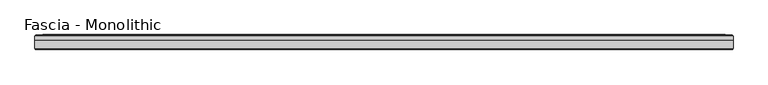
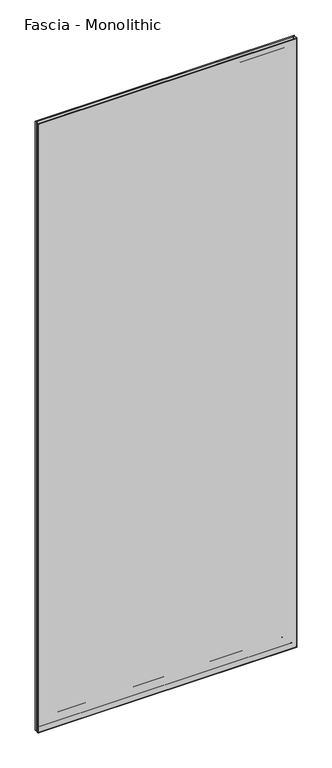
"""IFC4 building model written with IfcOpenShell, lengths in millimetres: proxy geometry, Fascia - Monolithic."""

import ifcopenshell
import ifcopenshell.guid

model = None  # the IFC model being written
_history = None  # IfcOwnerHistory: only IFC2X3 demands one
_inside = {}  # id of a spatial element -> (the spatial element, [elements in it])
_under = {}  # id of a project, library or spatial element -> (it, [spatial elements below it])
_declared = {}  # id of a project -> (the project, [libraries it declares])
_typed = {}  # id of a type object -> (the type object, [elements of that type])
_made_of = {}  # id of a material, layer set ... -> (it, [elements and type objects made of it])


def new_model(schema):
    """Start an empty IFC model of exactly this schema.

    Asked for "IFC4X3", IfcOpenShell would pick the latest addendum, in which some entities
    have other attributes; the version numbers below select the first issue.
    IFC2X3 requires an IfcOwnerHistory on every rooted entity: one is made here for all.
    """
    global model, _history
    if schema == "IFC4X3":
        model = ifcopenshell.file(schema_version=(4, 3, 0, 0))
    else:
        model = ifcopenshell.file(schema=schema)
    _inside.clear()
    _under.clear()
    _declared.clear()
    _typed.clear()
    _made_of.clear()
    _history = None
    if model.schema == "IFC2X3":
        org = make("IfcOrganization", Name="unknown")
        user = make(
            "IfcPersonAndOrganization",
            ThePerson=make("IfcPerson", FamilyName="unknown"),
            TheOrganization=org,
        )
        app = make(
            "IfcApplication",
            ApplicationDeveloper=org,
            Version="unknown",
            ApplicationFullName="unknown",
            ApplicationIdentifier="unknown",
        )
        _history = make(
            "IfcOwnerHistory",
            OwningUser=user,
            OwningApplication=app,
            ChangeAction="ADDED",
            CreationDate=0,
        )
    return model


def make(cls, **values):
    """One entity of the class cls with the attributes given. An attribute that is None is left unset."""
    return model.create_entity(
        cls, **{name: value for name, value in values.items() if value is not None}
    )


def rooted(cls, **values):
    """An entity with a GlobalId (a new one), such as an element, a storey or a relation."""
    return make(cls, GlobalId=ifcopenshell.guid.new(), OwnerHistory=_history, **values)


def si_unit(unit_type, name, prefix=None):
    """IfcSIUnit, for example si_unit("LENGTHUNIT", "METRE", prefix="MILLI")."""
    return make("IfcSIUnit", UnitType=unit_type, Prefix=prefix, Name=name)


def assignment(units):
    """IfcUnitAssignment: the units of a project."""
    return None if units is None else make("IfcUnitAssignment", Units=units)


def point(xyz):
    """IfcCartesianPoint."""
    return None if xyz is None else make("IfcCartesianPoint", Coordinates=xyz)


def direction(xyz):
    """IfcDirection."""
    return None if xyz is None else make("IfcDirection", DirectionRatios=xyz)


def frame(location, z_axis=None, x_axis=None):
    """IfcAxis2Placement3D, a coordinate frame: its origin and axes. An axis left out is left unset."""
    return make(
        "IfcAxis2Placement3D",
        Location=point(location),
        Axis=direction(z_axis),
        RefDirection=direction(x_axis),
    )


def origin():
    """The frame at (0, 0, 0) with its axes left unset."""
    return frame((0.0, 0.0, 0.0))


def place(relative_to, where):
    """IfcLocalPlacement: puts the frame where relative to a parent placement (None: the world)."""
    return make(
        "IfcLocalPlacement", PlacementRelTo=relative_to, RelativePlacement=where
    )


def context(
    kind, dimensions, precision=None, world=None, true_north=None, identifier=None
):
    """IfcGeometricRepresentationContext, for example the 3D "Model" context."""
    return make(
        "IfcGeometricRepresentationContext",
        ContextIdentifier=identifier,
        ContextType=kind,
        CoordinateSpaceDimension=dimensions,
        Precision=precision,
        WorldCoordinateSystem=world,
        TrueNorth=true_north,
    )


def project(units=None, contexts=None):
    """IfcProject with its units and contexts."""
    return rooted(
        "IfcProject",
        Name="project",
        RepresentationContexts=contexts,
        UnitsInContext=assignment(units),
    )


def spatial(cls, under=None, at=None, **own):
    """A site, building, storey or space (cls), placed at a placement, below another one or the project."""
    s = rooted(cls, ObjectPlacement=at, **own)
    if under is not None:
        _under.setdefault(under.id(), (under, []))[1].append(s)
    return s


def ellipse_curve(where, semi_axis1, semi_axis2):
    """IfcEllipse in the frame where."""
    return make(
        "IfcEllipse", Position=where, SemiAxis1=semi_axis1, SemiAxis2=semi_axis2
    )


def shape(context_of_items, identifier, shape_type, items):
    """IfcShapeRepresentation: the items that make up one representation, for example the "Body"."""
    return make(
        "IfcShapeRepresentation",
        ContextOfItems=context_of_items,
        RepresentationIdentifier=identifier,
        RepresentationType=shape_type,
        Items=items,
    )


def source(mapping_origin, context_of_items, identifier, shape_type, items):
    """IfcRepresentationMap: a shape defined once, which mapped items show again and again."""
    return make(
        "IfcRepresentationMap",
        MappingOrigin=mapping_origin,
        MappedRepresentation=shape(context_of_items, identifier, shape_type, items),
    )


def transform(
    local_origin,
    x_axis=None,
    y_axis=None,
    z_axis=None,
    scale=None,
    scale2=None,
    scale3=None,
    uniform=True,
):
    """IfcCartesianTransformationOperator3D, or its non-uniform kind. x_axis, y_axis, z_axis: its Axis1, 2, 3."""
    if uniform:
        return make(
            "IfcCartesianTransformationOperator3D",
            Axis1=direction(x_axis),
            Axis2=direction(y_axis),
            LocalOrigin=point(local_origin),
            Scale=scale,
            Axis3=direction(z_axis),
        )
    return make(
        "IfcCartesianTransformationOperator3DnonUniform",
        Axis1=direction(x_axis),
        Axis2=direction(y_axis),
        LocalOrigin=point(local_origin),
        Scale=scale,
        Axis3=direction(z_axis),
        Scale2=scale2,
        Scale3=scale3,
    )


def mapped(mapping_source, mapping_target):
    """IfcMappedItem: shows the shape of a source again, moved by a transform."""
    return make(
        "IfcMappedItem", MappingSource=mapping_source, MappingTarget=mapping_target
    )


def made_of(thing, what):
    """Note that an element or type object is made of a material, layer set ...; save() writes the relation."""
    if what is not None:
        _made_of.setdefault(what.id(), (what, []))[1].append(thing)
    return thing


def element(
    cls,
    number,
    at=None,
    inside=None,
    cuts=None,
    type_object=None,
    material=None,
    context=None,
    identifier="Body",
    shape_type=None,
    held_by="IfcProductDefinitionShape",
    body=None,
    shapes=None,
    **own,
):
    """One element of the class cls, such as IfcWall. Its Tag is "e" and its number.

    at: its placement. inside: the storey or other place that contains it. cuts: it is an
    opening in that element (IfcRelVoidsElement). A single representation is given by context,
    identifier, shape_type and body (its items); several are given by shapes. held_by: the class
    of the entity that holds the representations. save() writes the other relations.
    """
    e = rooted(cls, Tag="e%d" % number, ObjectPlacement=at, **own)
    if body is not None:
        shapes = [shape(context, identifier, shape_type, body)]
    if shapes is not None:
        e.Representation = make(held_by, Representations=shapes)
    if inside is not None:
        _inside.setdefault(inside.id(), (inside, []))[1].append(e)
    if cuts is not None:
        rooted(
            "IfcRelVoidsElement", RelatingBuildingElement=cuts, RelatedOpeningElement=e
        )
    if type_object is not None:
        _typed.setdefault(type_object.id(), (type_object, []))[1].append(e)
    return made_of(e, material)


def aggregate(whole, parts):
    """IfcRelAggregates: a whole, such as a stair, and the parts it consists of."""
    return rooted("IfcRelAggregates", RelatingObject=whole, RelatedObjects=parts)


def save(model, path):
    """Write the relations noted so far, then the file.

    IfcRelAggregates (storeys below a building ...), IfcRelContainedInSpatialStructure (elements
    in a storey), IfcRelDefinesByType, IfcRelAssociatesMaterial and IfcRelDeclares: one each for
    every whole, place, type object, material and project.
    """
    for whole, parts in _under.values():
        aggregate(whole, parts)
    for where, things in _inside.values():
        rooted(
            "IfcRelContainedInSpatialStructure",
            RelatedElements=things,
            RelatingStructure=where,
        )
    for kind, things in _typed.values():
        rooted("IfcRelDefinesByType", RelatedObjects=things, RelatingType=kind)
    for what, things in _made_of.values():
        rooted("IfcRelAssociatesMaterial", RelatedObjects=things, RelatingMaterial=what)
    for by, libraries in _declared.values():
        rooted("IfcRelDeclares", RelatingContext=by, RelatedDefinitions=libraries)
    model.write(path)


def plane_surface(at):
    """IfcPlane: the flat surface through the origin of the frame at, square to its z axis."""
    return make("IfcPlane", Position=at)


def cylinder_surface(at, radius):
    """IfcCylindricalSurface: all points at the distance radius from the z axis of the frame at."""
    return make("IfcCylindricalSurface", Position=at, Radius=radius)


def advanced_brep(points, edges, surfaces, faces):
    """IfcAdvancedBrep: a solid bounded by faces that lie on surfaces and meet in shared edges.

    An edge is (start, end): straight between two places in points (the first is 0);
    or (start, end, curve); or (start, end, curve, False) where it runs against its curve.
    A face is (place in surfaces, loops), or (place, loops, False) where it looks against
    its surface's normal. A loop lists edges by number (the first is 1), with a minus sign
    where the edge is run from its end to its start. The first loop is the outer one.
    """
    corners = [point(p) for p in points]
    vertices = [make("IfcVertexPoint", VertexGeometry=c) for c in corners]
    made = []
    for start, end, *more in edges:
        made.append(
            make(
                "IfcEdgeCurve",
                EdgeStart=vertices[start],
                EdgeEnd=vertices[end],
                EdgeGeometry=more[0] if more else make("IfcPolyline", Points=[corners[start], corners[end]]),
                SameSense=more[1] if len(more) > 1 else True,
            )
        )
    hull = []
    for where, loops, *sense in faces:
        bounds = []
        for j, loop in enumerate(loops):
            ring = [make("IfcOrientedEdge", EdgeElement=made[abs(k) - 1], Orientation=k > 0) for k in loop]
            bounds.append(
                make(
                    "IfcFaceOuterBound" if j == 0 else "IfcFaceBound",
                    Bound=make("IfcEdgeLoop", EdgeList=ring),
                    Orientation=True,
                )
            )
        hull.append(make("IfcAdvancedFace", Bounds=bounds, FaceSurface=surfaces[where], SameSense=sense[0] if sense else True))
    return make("IfcAdvancedBrep", Outer=make("IfcClosedShell", CfsFaces=hull))


def fascia_monolithic_d8d4c5af(model_context):
    return source(origin(), model_context, "Body", "AdvancedBrep", [
        advanced_brep(
        [(-556.403743, 15.8650077, 46.2434077), (556.403743, 15.8650077, 46.2434077), (556.6731506, 16.7386, 45.974), (-556.6731506, 16.7386, 45.974), (-557.5775583, 14.6911923, 45.0695923), (557.5775583, 14.6911923, 45.0695923), (-550.4909583, 15.8650077, 52.1561923), (550.4909583, 15.8650077, 52.1561923), (549.317143, 14.6911923, 53.3300077), (-549.317143, 14.6911923, 53.3300077), (-550.2215506, 16.7386, 52.4256), (550.2215506, 16.7386, 52.4256), (-533.9401506, 15.5956, 68.707), (533.9401506, 15.5956, 68.707), (534.7021506, 16.7386, 67.945), (-534.7021506, 16.7386, 67.945), (-521.6211506, 8.4836, 81.026), (521.6211506, 8.4836, 81.026), (521.6211506, 15.5956, 81.026), (-521.6211506, 15.5956, 81.026), (-602.6471506, 15.2146, 0.0), (602.6471506, 15.2146, 0.0), (602.6471506, 8.4836, 0.0), (-602.6471506, 8.4836, 0.0), (-601.1231506, 16.7386, 1.524), (601.1231506, 16.7386, 1.524), (-599.075743, 15.8650077, 3.5714077), (599.075743, 15.8650077, 3.5714077), (599.3451506, 16.7386, 3.302), (-599.3451506, 16.7386, 3.302), (-600.2495583, 14.6911923, 2.3975923), (600.2495583, 14.6911923, 2.3975923), (-593.1629583, 15.8650077, 9.4841923), (593.1629583, 15.8650077, 9.4841923), (591.989143, 14.6911923, 10.6580077), (-591.989143, 14.6911923, 10.6580077), (-592.8935506, 16.7386, 9.7536), (592.8935506, 16.7386, 9.7536), (-588.0040506, 16.7386, 14.6431), (588.0040506, 16.7386, 14.6431), (589.5280506, 16.7386, 13.1191), (-589.5280506, 16.7386, 13.1191), (-582.0350506, 16.7386, 20.6121), (582.0350506, 16.7386, 20.6121), (584.4480506, 16.7386, 18.1991), (-584.4480506, 16.7386, 18.1991), (556.403743, 15.8650077, 2946.4799923), (556.6731506, 16.7386, 2946.7494), (557.5775583, 14.6911923, 2947.6538077), (550.4909583, 15.8650077, 2940.5672077), (549.317143, 14.6911923, 2939.3933923), (550.2215506, 16.7386, 2940.2978), (533.9401506, 15.5956, 2924.0164), (534.7021506, 16.7386, 2924.7784), (521.6211506, 8.4836, 2911.6974), (521.6211506, 15.5956, 2911.6974), (602.6471506, 15.2146, 2992.7234), (602.6471506, 8.4836, 2992.7234), (601.1231506, 16.7386, 2991.1994), (599.075743, 15.8650077, 2989.1519923), (599.3451506, 16.7386, 2989.4214), (600.2495583, 14.6911923, 2990.3258077), (593.1629583, 15.8650077, 2983.2392077), (591.989143, 14.6911923, 2982.0653923), (592.8935506, 16.7386, 2982.9698), (588.0040506, 16.7386, 2978.0803), (589.5280506, 16.7386, 2979.6043), (582.0350506, 16.7386, 2972.1113), (584.4480506, 16.7386, 2974.5243), (-556.403743, 15.8650077, 2946.4799923), (-556.6731506, 16.7386, 2946.7494), (-557.5775583, 14.6911923, 2947.6538077), (-550.4909583, 15.8650077, 2940.5672077), (-549.317143, 14.6911923, 2939.3933923), (-550.2215506, 16.7386, 2940.2978), (-533.9401506, 15.5956, 2924.0164), (-534.7021506, 16.7386, 2924.7784), (-521.6211506, 8.4836, 2911.6974), (-521.6211506, 15.5956, 2911.6974), (-602.6471506, 15.2146, 2992.7234), (-602.6471506, 8.4836, 2992.7234), (-601.1231506, 16.7386, 2991.1994), (-599.075743, 15.8650077, 2989.1519923), (-599.3451506, 16.7386, 2989.4214), (-600.2495583, 14.6911923, 2990.3258077), (-593.1629583, 15.8650077, 2983.2392077), (-591.989143, 14.6911923, 2982.0653923), (-592.8935506, 16.7386, 2982.9698), (-588.0040506, 16.7386, 2978.0803), (-589.5280506, 16.7386, 2979.6043), (-582.0350506, 16.7386, 2972.1113), (-584.4480506, 16.7386, 2974.5243)],
        [
            (0, 1),
            (1, 2, ellipse_curve(frame((556.7693353, 16.2306, 45.8778154), z_axis=(-0.7071067811865475, 0.0, -0.7071067811865475), x_axis=(-0.7071067811865476, 0.0, 0.7071067811865474)), 0.7311846, 0.5170256)),
            (2, 3),
            (3, 0, ellipse_curve(frame((-556.7693353, 16.2306, 45.8778154), z_axis=(0.7071067811865475, 0.0, -0.7071067811865475), x_axis=(-0.7071067811865476, 0.0, -0.7071067811865474)), 0.7311846, 0.5170256)),
            (4, 5),
            (5, 1),
            (0, 4),
            (6, 7),
            (7, 8),
            (8, 9),
            (9, 6),
            (10, 11),
            (11, 7, ellipse_curve(frame((550.125366, 16.2306, 52.5217846), z_axis=(-0.7071067811865475, 0.0, -0.7071067811865475), x_axis=(-0.7071067811865476, 0.0, 0.7071067811865474)), 0.7311846, 0.5170256)),
            (6, 10, ellipse_curve(frame((-550.125366, 16.2306, 52.5217846), z_axis=(0.7071067811865475, 0.0, -0.7071067811865475), x_axis=(-0.7071067811865476, 0.0, -0.7071067811865474)), 0.7311846, 0.5170256)),
            (12, 13),
            (13, 14),
            (14, 15),
            (15, 12),
            (16, 17),
            (17, 18),
            (18, 19),
            (19, 16),
            (20, 21),
            (21, 22),
            (22, 23),
            (23, 20),
            (24, 25),
            (25, 21),
            (20, 24),
            (26, 27),
            (27, 28, ellipse_curve(frame((599.4413353, 16.2306, 3.2058154), z_axis=(-0.7071067811865475, 0.0, -0.7071067811865475), x_axis=(-0.7071067811865476, 0.0, 0.7071067811865474)), 0.7311846, 0.5170256)),
            (28, 29),
            (29, 26, ellipse_curve(frame((-599.4413353, 16.2306, 3.2058154), z_axis=(0.7071067811865475, 0.0, -0.7071067811865475), x_axis=(-0.7071067811865476, 0.0, -0.7071067811865474)), 0.7311846, 0.5170256)),
            (30, 31),
            (31, 27),
            (26, 30),
            (32, 33),
            (33, 34),
            (34, 35),
            (35, 32),
            (36, 37),
            (37, 33, ellipse_curve(frame((592.797366, 16.2306, 9.8497846), z_axis=(-0.7071067811865475, 0.0, -0.7071067811865475), x_axis=(-0.7071067811865476, 0.0, 0.7071067811865474)), 0.7311846, 0.5170256)),
            (32, 36, ellipse_curve(frame((-592.797366, 16.2306, 9.8497846), z_axis=(0.7071067811865475, 0.0, -0.7071067811865475), x_axis=(-0.7071067811865476, 0.0, -0.7071067811865474)), 0.7311846, 0.5170256)),
            (38, 39),
            (39, 40, ellipse_curve(frame((588.7660506, 16.7386, 13.8811), z_axis=(-0.7071067811865475, 0.0, -0.7071067811865475), x_axis=(-0.7071067811865476, 0.0, 0.7071067811865474)), 1.0776307, 0.762)),
            (40, 41),
            (41, 38, ellipse_curve(frame((-588.7660506, 16.7386, 13.8811), z_axis=(0.7071067811865475, 0.0, -0.7071067811865475), x_axis=(-0.7071067811865476, 0.0, -0.7071067811865474)), 1.0776307, 0.762)),
            (42, 43),
            (43, 44, ellipse_curve(frame((583.2415506, 16.0202269, 19.4056), z_axis=(-0.7071067811865475, 0.0, -0.7071067811865475), x_axis=(-0.7071067811865476, 0.0, 0.7071067811865474)), 1.9858007, 1.4041731)),
            (44, 45),
            (45, 42, ellipse_curve(frame((-583.2415506, 16.0202269, 19.4056), z_axis=(0.7071067811865475, 0.0, -0.7071067811865475), x_axis=(-0.7071067811865476, 0.0, -0.7071067811865474)), 1.9858007, 1.4041731)),
            (1, 46),
            (46, 47, ellipse_curve(frame((556.7693353, 16.2306, 2946.8455846), z_axis=(0.7071067811865475, 0.0, -0.7071067811865475), x_axis=(-0.7071067811865474, 0.0, -0.7071067811865476)), 0.7311846, 0.5170256)),
            (47, 2),
            (5, 48),
            (48, 46),
            (7, 49),
            (49, 50),
            (50, 8),
            (11, 51),
            (51, 49, ellipse_curve(frame((550.125366, 16.2306, 2940.2016154), z_axis=(0.7071067811865475, 0.0, -0.7071067811865475), x_axis=(-0.7071067811865474, 0.0, -0.7071067811865476)), 0.7311846, 0.5170256)),
            (13, 52),
            (52, 53),
            (53, 14),
            (17, 54),
            (54, 55),
            (55, 18),
            (21, 56),
            (56, 57),
            (57, 22),
            (25, 58),
            (58, 56),
            (27, 59),
            (59, 60, ellipse_curve(frame((599.4413353, 16.2306, 2989.5175846), z_axis=(0.7071067811865475, 0.0, -0.7071067811865475), x_axis=(-0.7071067811865474, 0.0, -0.7071067811865476)), 0.7311846, 0.5170256)),
            (60, 28),
            (31, 61),
            (61, 59),
            (33, 62),
            (62, 63),
            (63, 34),
            (37, 64),
            (64, 62, ellipse_curve(frame((592.797366, 16.2306, 2982.8736154), z_axis=(0.7071067811865475, 0.0, -0.7071067811865475), x_axis=(-0.7071067811865474, 0.0, -0.7071067811865476)), 0.7311846, 0.5170256)),
            (39, 65),
            (65, 66, ellipse_curve(frame((588.7660506, 16.7386, 2978.8423), z_axis=(0.7071067811865475, 0.0, -0.7071067811865475), x_axis=(-0.7071067811865474, 0.0, -0.7071067811865476)), 1.0776307, 0.762)),
            (66, 40),
            (43, 67),
            (67, 68, ellipse_curve(frame((583.2415506, 16.0202269, 2973.3178), z_axis=(0.7071067811865475, 0.0, -0.7071067811865475), x_axis=(-0.7071067811865474, 0.0, -0.7071067811865476)), 1.9858007, 1.4041731)),
            (68, 44),
            (46, 69),
            (69, 70, ellipse_curve(frame((-556.7693353, 16.2306, 2946.8455846), z_axis=(0.7071067811865475, 0.0, 0.7071067811865475), x_axis=(0.7071067811865476, 0.0, -0.7071067811865474)), 0.7311846, 0.5170256)),
            (70, 47),
            (48, 71),
            (71, 69),
            (49, 72),
            (72, 73),
            (73, 50),
            (51, 74),
            (74, 72, ellipse_curve(frame((-550.125366, 16.2306, 2940.2016154), z_axis=(0.7071067811865475, 0.0, 0.7071067811865475), x_axis=(0.7071067811865476, 0.0, -0.7071067811865474)), 0.7311846, 0.5170256)),
            (52, 75),
            (75, 76),
            (76, 53),
            (54, 77),
            (77, 78),
            (78, 55),
            (56, 79),
            (79, 80),
            (80, 57),
            (58, 81),
            (81, 79),
            (59, 82),
            (82, 83, ellipse_curve(frame((-599.4413353, 16.2306, 2989.5175846), z_axis=(0.7071067811865475, 0.0, 0.7071067811865475), x_axis=(0.7071067811865476, 0.0, -0.7071067811865474)), 0.7311846, 0.5170256)),
            (83, 60),
            (61, 84),
            (84, 82),
            (62, 85),
            (85, 86),
            (86, 63),
            (64, 87),
            (87, 85, ellipse_curve(frame((-592.797366, 16.2306, 2982.8736154), z_axis=(0.7071067811865475, 0.0, 0.7071067811865475), x_axis=(0.7071067811865476, 0.0, -0.7071067811865474)), 0.7311846, 0.5170256)),
            (65, 88),
            (88, 89, ellipse_curve(frame((-588.7660506, 16.7386, 2978.8423), z_axis=(0.7071067811865475, 0.0, 0.7071067811865475), x_axis=(0.7071067811865476, 0.0, -0.7071067811865474)), 1.0776307, 0.762)),
            (89, 66),
            (67, 90),
            (90, 91, ellipse_curve(frame((-583.2415506, 16.0202269, 2973.3178), z_axis=(0.7071067811865475, 0.0, 0.7071067811865475), x_axis=(0.7071067811865476, 0.0, -0.7071067811865474)), 1.9858007, 1.4041731)),
            (91, 68),
            (42, 90),
            (70, 3),
            (69, 0),
            (71, 4),
            (73, 9),
            (72, 6),
            (74, 10),
            (76, 15),
            (75, 12),
            (78, 19),
            (77, 16),
            (80, 23),
            (79, 20),
            (81, 24),
            (83, 29),
            (82, 26),
            (84, 30),
            (86, 35),
            (85, 32),
            (87, 36),
            (89, 41),
            (88, 38),
            (91, 45),
        ],
        [
            cylinder_surface(frame((-602.6471506, 16.2306, 45.8778154), z_axis=(-1.0, 0.0, 0.0), x_axis=(0.0, 0.0, 1.0)), 0.5170256),
            plane_surface(frame((-556.403743, 15.8650077, 46.2434077), z_axis=(0.0, -0.7071067813016592, 0.7071067810714359), x_axis=(1.0, 0.0, 0.0))),
            plane_surface(frame((-549.317143, 14.6911923, 53.3300077), z_axis=(0.0, -0.7071067813016237, -0.7071067810714713), x_axis=(1.0, 0.0, 0.0))),
            cylinder_surface(frame((-602.6471506, 16.2306, 52.5217846), z_axis=(-1.0, 0.0, 0.0), x_axis=(0.0, 0.0, 1.0)), 0.5170256),
            plane_surface(frame((-534.7021506, 16.7386, 67.945), z_axis=(0.0, 0.554700195976685, 0.8320502945035398), x_axis=(1.0, 0.0, 0.0))),
            plane_surface(frame((-521.6211506, 15.5956, 81.026), z_axis=(0.0, 0.0, 1.0), x_axis=(1.0, 0.0, 0.0))),
            plane_surface(frame((-602.6471506, 8.4836, 0.0), z_axis=(0.0, 0.0, -1.0), x_axis=(1.0, 0.0, 0.0))),
            plane_surface(frame((-602.6471506, 15.2146, 0.0), z_axis=(0.0, 0.7071067811865392, -0.7071067811865558), x_axis=(1.0, 0.0, 0.0))),
            cylinder_surface(frame((-602.6471506, 16.2306, 3.2058154), z_axis=(-1.0, 0.0, 0.0), x_axis=(0.0, 0.0, 1.0)), 0.5170256),
            plane_surface(frame((-599.075743, 15.8650077, 3.5714077), z_axis=(0.0, -0.707106781113895, 0.7071067812592001), x_axis=(1.0, 0.0, 0.0))),
            plane_surface(frame((-591.989143, 14.6911923, 10.6580077), z_axis=(0.0, -0.7071067811880475, -0.7071067811850476), x_axis=(1.0, 0.0, 0.0))),
            cylinder_surface(frame((-602.6471506, 16.2306, 9.8497846), z_axis=(-1.0, 0.0, 0.0), x_axis=(0.0, 0.0, 1.0)), 0.5170256),
            cylinder_surface(frame((-602.6471506, 16.7386, 13.8811), z_axis=(-1.0, 0.0, 0.0), x_axis=(0.0, 0.0, 1.0)), 0.762),
            cylinder_surface(frame((-602.6471506, 16.0202269, 19.4056), z_axis=(-1.0, 0.0, 0.0), x_axis=(0.0, 0.0, 1.0)), 1.4041731),
            cylinder_surface(frame((556.7693353, 16.2306, 0.0), z_axis=(0.0, 0.0, -1.0), x_axis=(-1.0, 0.0, 0.0)), 0.5170256),
            plane_surface(frame((556.403743, 15.8650077, 46.2434077), z_axis=(-0.7071067810714261, -0.7071067813016689, 0.0), x_axis=(0.0, 0.0, 1.0))),
            plane_surface(frame((549.317143, 14.6911923, 53.3300077), z_axis=(0.7071067810714811, -0.707106781301614, 0.0), x_axis=(0.0, 0.0, 1.0))),
            cylinder_surface(frame((550.125366, 16.2306, 0.0), z_axis=(0.0, 0.0, -1.0), x_axis=(-1.0, 0.0, 0.0)), 0.5170256),
            plane_surface(frame((534.7021506, 16.7386, 67.945), z_axis=(-0.8320502945035475, 0.5547001959766734, 0.0), x_axis=(0.0, 0.0, 1.0))),
            plane_surface(frame((521.6211506, 15.5956, 81.026), z_axis=(-1.0, 0.0, 0.0), x_axis=(0.0, 0.0, 1.0))),
            plane_surface(frame((602.6471506, 8.4836, 0.0), z_axis=(1.0, 0.0, 0.0), x_axis=(0.0, 0.0, 1.0))),
            plane_surface(frame((602.6471506, 15.2146, 0.0), z_axis=(0.707106781186546, 0.707106781186549, 0.0), x_axis=(0.0, 0.0, 1.0))),
            cylinder_surface(frame((599.4413353, 16.2306, 0.0), z_axis=(0.0, 0.0, -1.0), x_axis=(-1.0, 0.0, 0.0)), 0.5170256),
            plane_surface(frame((599.075743, 15.8650077, 3.5714077), z_axis=(-0.7071067812591904, -0.7071067811139048, 0.0), x_axis=(0.0, 0.0, 1.0))),
            plane_surface(frame((591.989143, 14.6911923, 10.6580077), z_axis=(0.7071067811850573, -0.7071067811880377, 0.0), x_axis=(0.0, 0.0, 1.0))),
            cylinder_surface(frame((592.797366, 16.2306, 0.0), z_axis=(0.0, 0.0, -1.0), x_axis=(-1.0, 0.0, 0.0)), 0.5170256),
            cylinder_surface(frame((588.7660506, 16.7386, 0.0), z_axis=(0.0, 0.0, -1.0), x_axis=(-1.0, 0.0, 0.0)), 0.762),
            cylinder_surface(frame((583.2415506, 16.0202269, 0.0), z_axis=(0.0, 0.0, -1.0), x_axis=(-1.0, 0.0, 0.0)), 1.4041731),
            cylinder_surface(frame((602.6471506, 16.2306, 2946.8455846), z_axis=(1.0, 0.0, 0.0), x_axis=(0.0, 0.0, -1.0)), 0.5170256),
            plane_surface(frame((556.403743, 15.8650077, 2946.4799923), z_axis=(0.0, -0.7071067813016787, -0.7071067810714163), x_axis=(-1.0, 0.0, 0.0))),
            plane_surface(frame((549.317143, 14.6911923, 2939.3933923), z_axis=(0.0, -0.7071067813016042, 0.7071067810714908), x_axis=(-1.0, 0.0, 0.0))),
            cylinder_surface(frame((602.6471506, 16.2306, 2940.2016154), z_axis=(1.0, 0.0, 0.0), x_axis=(0.0, 0.0, -1.0)), 0.5170256),
            plane_surface(frame((534.7021506, 16.7386, 2924.7784), z_axis=(0.0, 0.5547001959766619, -0.8320502945035552), x_axis=(-1.0, 0.0, 0.0))),
            plane_surface(frame((521.6211506, 15.5956, 2911.6974), z_axis=(0.0, 0.0, -1.0), x_axis=(-1.0, 0.0, 0.0))),
            plane_surface(frame((602.6471506, 8.4836, 2992.7234), z_axis=(0.0, 0.0, 1.0), x_axis=(-1.0, 0.0, 0.0))),
            plane_surface(frame((602.6471506, 15.2146, 2992.7234), z_axis=(0.0, 0.7071067811865588, 0.7071067811865362), x_axis=(-1.0, 0.0, 0.0))),
            cylinder_surface(frame((602.6471506, 16.2306, 2989.5175846), z_axis=(1.0, 0.0, 0.0), x_axis=(0.0, 0.0, -1.0)), 0.5170256),
            plane_surface(frame((599.075743, 15.8650077, 2989.1519923), z_axis=(0.0, -0.7071067811139146, -0.7071067812591806), x_axis=(-1.0, 0.0, 0.0))),
            plane_surface(frame((591.989143, 14.6911923, 2982.0653923), z_axis=(0.0, -0.7071067811880279, 0.7071067811850671), x_axis=(-1.0, 0.0, 0.0))),
            cylinder_surface(frame((602.6471506, 16.2306, 2982.8736154), z_axis=(1.0, 0.0, 0.0), x_axis=(0.0, 0.0, -1.0)), 0.5170256),
            cylinder_surface(frame((602.6471506, 16.7386, 2978.8423), z_axis=(1.0, 0.0, 0.0), x_axis=(0.0, 0.0, -1.0)), 0.762),
            cylinder_surface(frame((602.6471506, 16.0202269, 2973.3178), z_axis=(1.0, 0.0, 0.0), x_axis=(0.0, 0.0, -1.0)), 1.4041731),
            plane_surface(frame((-582.0350506, 16.7386, 2972.1113), z_axis=(0.0, 1.0, 0.0), x_axis=(0.0, 0.0, -1.0))),
            cylinder_surface(frame((-556.7693353, 16.2306, 2992.7234), z_axis=(0.0, 0.0, 1.0), x_axis=(1.0, 0.0, 0.0)), 0.5170256),
            plane_surface(frame((-556.403743, 15.8650077, 2946.4799923), z_axis=(0.7071067810714261, -0.7071067813016689, 0.0), x_axis=(0.0, 0.0, -1.0))),
            plane_surface(frame((-557.5775583, 14.6911923, 2947.6538077), z_axis=(0.0, 1.0, 0.0), x_axis=(0.0, 0.0, -1.0))),
            plane_surface(frame((-549.317143, 14.6911923, 2939.3933923), z_axis=(-0.7071067810714811, -0.707106781301614, 0.0), x_axis=(0.0, 0.0, -1.0))),
            cylinder_surface(frame((-550.125366, 16.2306, 2992.7234), z_axis=(0.0, 0.0, 1.0), x_axis=(1.0, 0.0, 0.0)), 0.5170256),
            plane_surface(frame((-550.2215506, 16.7386, 2940.2978), z_axis=(0.0, 1.0, 0.0), x_axis=(0.0, 0.0, -1.0))),
            plane_surface(frame((-534.7021506, 16.7386, 2924.7784), z_axis=(0.8320502945035475, 0.5547001959766734, 0.0), x_axis=(0.0, 0.0, -1.0))),
            plane_surface(frame((-533.9401506, 15.5956, 2924.0164), z_axis=(0.0, 1.0, 0.0), x_axis=(0.0, 0.0, -1.0))),
            plane_surface(frame((-521.6211506, 15.5956, 2911.6974), z_axis=(1.0, 0.0, 0.0), x_axis=(0.0, 0.0, -1.0))),
            plane_surface(frame((-521.6211506, 8.4836, 2911.6974), z_axis=(0.0, -1.0, 0.0), x_axis=(0.0, 0.0, -1.0))),
            plane_surface(frame((-602.6471506, 8.4836, 2992.7234), z_axis=(-1.0, 0.0, 0.0), x_axis=(0.0, 0.0, -1.0))),
            plane_surface(frame((-602.6471506, 15.2146, 2992.7234), z_axis=(-0.707106781186546, 0.707106781186549, 0.0), x_axis=(0.0, 0.0, -1.0))),
            plane_surface(frame((-601.1231506, 16.7386, 2991.1994), z_axis=(0.0, 1.0, 0.0), x_axis=(0.0, 0.0, -1.0))),
            cylinder_surface(frame((-599.4413353, 16.2306, 2992.7234), z_axis=(0.0, 0.0, 1.0), x_axis=(1.0, 0.0, 0.0)), 0.5170256),
            plane_surface(frame((-599.075743, 15.8650077, 2989.1519923), z_axis=(0.7071067812591904, -0.7071067811139048, 0.0), x_axis=(0.0, 0.0, -1.0))),
            plane_surface(frame((-600.2495583, 14.6911923, 2990.3258077), z_axis=(0.0, 1.0, 0.0), x_axis=(0.0, 0.0, -1.0))),
            plane_surface(frame((-591.989143, 14.6911923, 2982.0653923), z_axis=(-0.7071067811850573, -0.7071067811880377, 0.0), x_axis=(0.0, 0.0, -1.0))),
            cylinder_surface(frame((-592.797366, 16.2306, 2992.7234), z_axis=(0.0, 0.0, 1.0), x_axis=(1.0, 0.0, 0.0)), 0.5170256),
            plane_surface(frame((-592.8935506, 16.7386, 2982.9698), z_axis=(0.0, 1.0, 0.0), x_axis=(0.0, 0.0, -1.0))),
            cylinder_surface(frame((-588.7660506, 16.7386, 2992.7234), z_axis=(0.0, 0.0, 1.0), x_axis=(1.0, 0.0, 0.0)), 0.762),
            plane_surface(frame((-588.0040506, 16.7386, 2978.0803), z_axis=(0.0, 1.0, 0.0), x_axis=(0.0, 0.0, -1.0))),
            cylinder_surface(frame((-583.2415506, 16.0202269, 2992.7234), z_axis=(0.0, 0.0, 1.0), x_axis=(1.0, 0.0, 0.0)), 1.4041731),
        ],
        [
            (0, [[1, 2, 3, 4]]),
            (1, [[5, 6, -1, 7]]),
            (2, [[8, 9, 10, 11]]),
            (3, [[12, 13, -8, 14]]),
            (4, [[15, 16, 17, 18]]),
            (5, [[19, 20, 21, 22]]),
            (6, [[23, 24, 25, 26]]),
            (7, [[27, 28, -23, 29]]),
            (8, [[30, 31, 32, 33]]),
            (9, [[34, 35, -30, 36]]),
            (10, [[37, 38, 39, 40]]),
            (11, [[41, 42, -37, 43]]),
            (12, [[44, 45, 46, 47]]),
            (13, [[48, 49, 50, 51]]),
            (14, [[52, 53, 54, -2]]),
            (15, [[55, 56, -52, -6]]),
            (16, [[57, 58, 59, -9]]),
            (17, [[60, 61, -57, -13]]),
            (18, [[62, 63, 64, -16]]),
            (19, [[65, 66, 67, -20]]),
            (20, [[68, 69, 70, -24]]),
            (21, [[71, 72, -68, -28]]),
            (22, [[73, 74, 75, -31]]),
            (23, [[76, 77, -73, -35]]),
            (24, [[78, 79, 80, -38]]),
            (25, [[81, 82, -78, -42]]),
            (26, [[83, 84, 85, -45]]),
            (27, [[86, 87, 88, -49]]),
            (28, [[89, 90, 91, -53]]),
            (29, [[92, 93, -89, -56]]),
            (30, [[94, 95, 96, -58]]),
            (31, [[97, 98, -94, -61]]),
            (32, [[99, 100, 101, -63]]),
            (33, [[102, 103, 104, -66]]),
            (34, [[105, 106, 107, -69]]),
            (35, [[108, 109, -105, -72]]),
            (36, [[110, 111, 112, -74]]),
            (37, [[113, 114, -110, -77]]),
            (38, [[115, 116, 117, -79]]),
            (39, [[118, 119, -115, -82]]),
            (40, [[120, 121, 122, -84]]),
            (41, [[123, 124, 125, -87]]),
            (42, [[-48, 126, -123, -86], [-3, -54, -91, 127]]),
            (43, [[128, -4, -127, -90]]),
            (44, [[129, -7, -128, -93]]),
            (45, [[-5, -129, -92, -55], [-10, -59, -96, 130]]),
            (46, [[131, -11, -130, -95]]),
            (47, [[132, -14, -131, -98]]),
            (48, [[-12, -132, -97, -60], [-17, -64, -101, 133]]),
            (49, [[134, -18, -133, -100]]),
            (50, [[-15, -134, -99, -62], [-21, -67, -104, 135]]),
            (51, [[136, -22, -135, -103]]),
            (52, [[-25, -70, -107, 137], [-19, -136, -102, -65]]),
            (53, [[138, -26, -137, -106]]),
            (54, [[139, -29, -138, -109]]),
            (55, [[-27, -139, -108, -71], [-32, -75, -112, 140]]),
            (56, [[141, -33, -140, -111]]),
            (57, [[142, -36, -141, -114]]),
            (58, [[-34, -142, -113, -76], [-39, -80, -117, 143]]),
            (59, [[144, -40, -143, -116]]),
            (60, [[145, -43, -144, -119]]),
            (61, [[-41, -145, -118, -81], [-46, -85, -122, 146]]),
            (62, [[147, -47, -146, -121]]),
            (63, [[-44, -147, -120, -83], [-50, -88, -125, 148]]),
            (64, [[-126, -51, -148, -124]]),
        ],
    ),
        advanced_brep(
        [(-602.6471506, 8.4836, 2992.7234), (-602.6471506, -6.1862895, 2992.7234), (602.6471506, -6.1862895, 2992.7234), (602.6471506, 8.4836, 2992.7234), (602.6471506, 8.4836, 0.0), (602.6471506, -6.1862895, 0.0), (-602.6471506, -6.1862895, 0.0), (-602.6471506, 8.4836, 0.0), (600.3498402, -8.4836, 2.2973105), (600.3498402, -8.4836, 2990.4260895), (-600.3498402, -8.4836, 2990.4260895), (-600.3498402, -8.4836, 2.2973105)],
        [
            (0, 1),
            (1, 2),
            (2, 3),
            (3, 0),
            (4, 5),
            (5, 6),
            (6, 7),
            (7, 4),
            (8, 9),
            (9, 10),
            (10, 11),
            (11, 8),
            (6, 1),
            (0, 7),
            (3, 4),
            (2, 5),
            (11, 6, ellipse_curve(frame((-600.3498402, -6.1862895, 2.2973105), z_axis=(0.7071067811865475, 0.0, -0.7071067811865475), x_axis=(0.7071067811865476, 0.0, 0.7071067811865474)), 3.2488876, 2.2973105)),
            (5, 8, ellipse_curve(frame((600.3498402, -6.1862895, 2.2973105), z_axis=(-0.7071067811865475, 0.0, -0.7071067811865475), x_axis=(0.7071067811865476, 0.0, -0.7071067811865474)), 3.2488876, 2.2973105)),
            (2, 9, ellipse_curve(frame((600.3498402, -6.1862895, 2990.4260895), z_axis=(0.7071067811865475, 0.0, -0.7071067811865475), x_axis=(0.7071067811865474, 0.0, 0.7071067811865476)), 3.2488876, 2.2973105)),
            (1, 10, ellipse_curve(frame((-600.3498402, -6.1862895, 2990.4260895), z_axis=(0.7071067811865475, 0.0, 0.7071067811865475), x_axis=(-0.7071067811865476, 0.0, 0.7071067811865474)), 3.2488876, 2.2973105)),
        ],
        [
            plane_surface(frame((0.0, -198.5529455, 2992.7234), z_axis=(0.0, 0.0, 1.0), x_axis=(0.0, 1.0, 0.0))),
            plane_surface(frame((0.0, -198.5529455, 0.0), z_axis=(0.0, 0.0, -1.0), x_axis=(0.0, 1.0, 0.0))),
            plane_surface(frame((602.6471506, -8.4836, 2992.7234), z_axis=(0.0, -1.0, 0.0), x_axis=(0.0, 0.0, -1.0))),
            plane_surface(frame((-602.6471506, -8.4836, 2992.7234), z_axis=(-1.0, 0.0, 0.0), x_axis=(0.0, 0.0, -1.0))),
            plane_surface(frame((-602.6471506, 8.4836, 2992.7234), z_axis=(0.0, 1.0, 0.0), x_axis=(0.0, 0.0, -1.0))),
            plane_surface(frame((602.6471506, 8.4836, 2992.7234), z_axis=(1.0, 0.0, 0.0), x_axis=(0.0, 0.0, -1.0))),
            cylinder_surface(frame((-602.6471506, -6.1862895, 2.2973105), z_axis=(1.0, 0.0, 0.0), x_axis=(0.0, 1.0, 0.0)), 2.2973105),
            cylinder_surface(frame((600.3498402, -6.1862895, 0.0), z_axis=(0.0, 0.0, 1.0), x_axis=(0.0, 1.0, 0.0)), 2.2973105),
            cylinder_surface(frame((602.6471506, -6.1862895, 2990.4260895), z_axis=(-1.0, 0.0, 0.0), x_axis=(0.0, 1.0, 0.0)), 2.2973105),
            cylinder_surface(frame((-600.3498402, -6.1862895, 2992.7234), z_axis=(0.0, 0.0, -1.0), x_axis=(0.0, 1.0, 0.0)), 2.2973105),
        ],
        [
            (0, [[1, 2, 3, 4]]),
            (1, [[5, 6, 7, 8]]),
            (2, [[9, 10, 11, 12]]),
            (3, [[-7, 13, -1, 14]]),
            (4, [[15, -8, -14, -4]]),
            (5, [[-3, 16, -5, -15]]),
            (6, [[-12, 17, -6, 18]]),
            (7, [[-16, 19, -9, -18]]),
            (8, [[-2, 20, -10, -19]]),
            (9, [[-11, -20, -13, -17]]),
        ],
    ),
    ])


if __name__ == "__main__":
    model = new_model("IFC4")
    model_context = context("Model", 3, world=origin())
    ifc_project = project(units=[si_unit("LENGTHUNIT", "METRE", prefix="MILLI")], contexts=[model_context])
    site = spatial("IfcSite", under=ifc_project)
    building = spatial("IfcBuilding", under=site)
    placement = place(None, origin())
    fascia_monolithic_shape = fascia_monolithic_d8d4c5af(model_context)
    element("IfcBuildingElementProxy", 1, Name="Fascia - Monolithic", ObjectType="Fascia - Monolithic", at=placement, inside=building, context=model_context, shape_type="MappedRepresentation", body=[
        mapped(fascia_monolithic_shape, transform((0.0, 0.0, 0.0), x_axis=(1.0, 0.0, 0.0), y_axis=(0.0, 1.0, 0.0), z_axis=(0.0, 0.0, 1.0))),
    ])
    save(model, "model.ifc")
